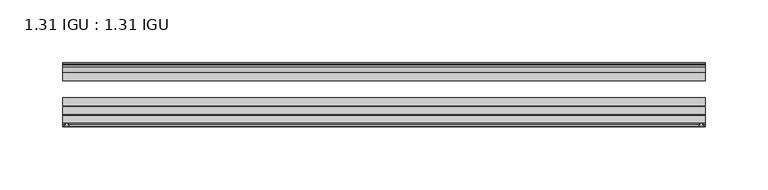
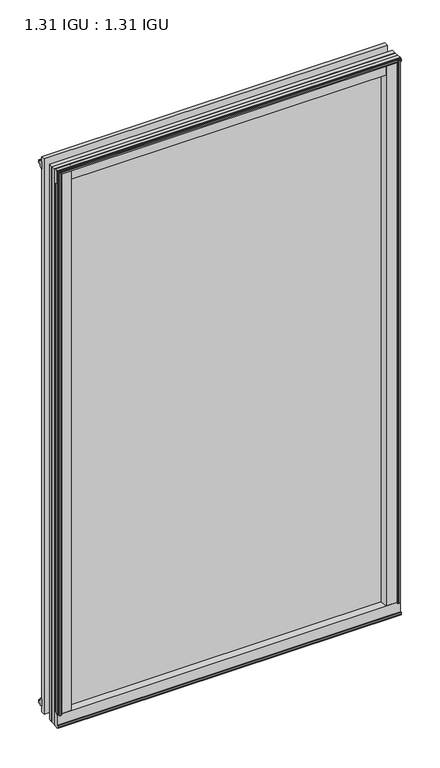
"""IFC4 building model written with IfcOpenShell, lengths in millimetres: plate geometry, 1.31 IGU : 1.31 IGU."""

from ifc_helpers import new_model, si_unit, point, frame, frame_2d, origin, origin_with_axes, place, context, project, spatial, polyline, circle_curve, trimmed, segment, composite_curve, outline, extrude, source, transform, mapped, element, save


def plate_1_31_igu_1_31_igu_f2ca2136(model_context):
    return source(origin(), model_context, "Body", "SweptSolid", [
        extrude(outline(composite_curve([segment(polyline([(251.596726, -57.6333938), (235.4119791, -57.6333938)]), True, "CONTINUOUS"), segment(trimmed(circle_curve(frame_2d((228.1172499, -57.6547678)), 7.2947605), [point((235.4119791, -57.6333938))], [point((231.6695905, -51.2833938))], True, "CARTESIAN"), True, "CONTINUOUS"), segment(polyline([(231.6695905, -51.2833938), (254.5400114, -51.2833938)]), True, "CONTINUOUS"), segment(trimmed(circle_curve(frame_2d((254.5400114, -52.0707938)), 0.7874), [point((254.5400114, -51.2833938))], [point((255.3215422, -51.9748338))], False, "CARTESIAN"), True, "CONTINUOUS"), segment(polyline([(255.3215422, -51.9748338), (256.016326, -57.6333938), (254.085926, -57.6333938), (253.628726, -59.624458), (254.6300879, -59.3561439), (254.873326, -60.263921), (252.841326, -60.8083938), (250.809326, -60.263921), (251.0525641, -59.3561439), (252.053926, -59.624458), (251.596726, -57.6333938)]), True, "CONTINUOUS")], self_intersect=False)), origin_with_axes(), (0.0, 0.0, 1.0), 857.25),
        extrude(outline(composite_curve([segment(polyline([(-235.7096354, -57.6333937), (-251.8943823, -57.6333937), (-252.3515823, -59.624458), (-251.3502204, -59.3561439), (-251.1069823, -60.263921), (-253.1389823, -60.8083937), (-255.1709823, -60.263921), (-254.9277441, -59.3561439), (-253.9263823, -59.624458), (-254.3835823, -57.6333937), (-256.3139823, -57.6333937), (-255.6191985, -51.9748338)]), True, "CONTINUOUS"), segment(trimmed(circle_curve(frame_2d((-254.8376676, -52.0707937)), 0.7874), [point((-255.6191985, -51.9748338))], [point((-254.8376676, -51.2833937))], False, "CARTESIAN"), True, "CONTINUOUS"), segment(polyline([(-254.8376676, -51.2833937), (-231.9672467, -51.2833937)]), True, "CONTINUOUS"), segment(trimmed(circle_curve(frame_2d((-228.4149062, -57.6547678)), 7.2947605), [point((-231.9672467, -51.2833937))], [point((-235.7096354, -57.6333937))], True, "CARTESIAN"), True, "CONTINUOUS")], self_intersect=False)), origin_with_axes(), (0.0, 0.0, 1.0), 857.25),
        extrude(outline(polyline([(-9.7543937, -6.8579998), (-10.4009552, -9.2709998), (-11.2596632, -9.0409097), (-10.8839895, -7.6388763), (-13.1833937, -8.3819998), (-13.1833937, -11.7850089), (-17.9585937, -10.1533914), (-17.9585937, 0.6595133), (-13.1833937, -0.5079998), (-13.1833937, -5.4609998), (-10.8839895, -6.0771233), (-11.2596632, -4.6750899), (-10.4009552, -4.4449998), (-9.7543937, -6.8579998)])), frame((-256.3471354, 0.0, 0.0), z_axis=(1.0, 0.0, 0.0), x_axis=(0.0, 1.0, 0.0)), (0.0, 0.0, 1.0), 512.3966145),
        extrude(outline(composite_curve([segment(polyline([(-51.9748338, -19.930016), (-57.6333937, -20.6247998), (-57.6333937, -18.6943998), (-59.624458, -18.2371998), (-59.3561439, -19.2385617), (-60.263921, -19.4817998), (-60.8083937, -17.4497998), (-60.263921, -15.4177998), (-59.3561439, -15.6610379), (-59.624458, -16.6623998), (-57.6333937, -16.2051998), (-57.6333937, 0.0127002)]), True, "CONTINUOUS"), segment(trimmed(circle_curve(frame_2d((-58.1588233, 7.9620141)), 7.9666598), [point((-57.6333937, 0.0127002))], [point((-51.2833937, 3.9375717))], True, "CARTESIAN"), True, "CONTINUOUS"), segment(polyline([(-51.2833937, 3.9375717), (-51.2833937, -19.1484852)]), True, "CONTINUOUS"), segment(trimmed(circle_curve(frame_2d((-52.0707937, -19.1484852)), 0.7874), [point((-51.2833937, -19.1484852))], [point((-51.9748338, -19.930016))], False, "CARTESIAN"), True, "CONTINUOUS")], self_intersect=False)), frame((-256.3471354, 0.0, 0.0), z_axis=(1.0, 0.0, 0.0), x_axis=(0.0, 1.0, 0.0)), (0.0, 0.0, 1.0), 512.3966145),
        extrude(outline(polyline([(-17.9585937, 848.3533914), (-13.1833937, 849.9850089), (-13.1833937, 846.5819998), (-10.8839895, 845.8388763), (-11.2596632, 847.2409097), (-10.4009552, 847.4709998), (-9.7543937, 845.0579998), (-10.4009552, 842.6449998), (-11.2596632, 842.8750899), (-10.8839895, 844.2771233), (-13.1833937, 843.6609998), (-13.1833937, 838.7079998), (-17.9585937, 837.5404867), (-17.9585937, 848.3533914)])), frame((-256.3471354, 0.0, 0.0), z_axis=(1.0, 0.0, 0.0), x_axis=(0.0, 1.0, 0.0)), (0.0, 0.0, 1.0), 512.3966145),
        extrude(outline(composite_curve([segment(trimmed(circle_curve(frame_2d((-52.0707937, 857.3484852)), 0.7874), [point((-51.9748338, 858.130016))], [point((-51.2833937, 857.3484852))], False, "CARTESIAN"), True, "CONTINUOUS"), segment(polyline([(-51.2833937, 857.3484852), (-51.2833937, 834.2624283)]), True, "CONTINUOUS"), segment(trimmed(circle_curve(frame_2d((-58.1588233, 830.2379859)), 7.9666598), [point((-51.2833937, 834.2624283))], [point((-57.6333937, 838.1872998))], True, "CARTESIAN"), True, "CONTINUOUS"), segment(polyline([(-57.6333937, 838.1872998), (-57.6333937, 854.4051998), (-59.624458, 854.8623998), (-59.3561439, 853.8610379), (-60.263921, 853.6177998), (-60.8083937, 855.6497998), (-60.263921, 857.6817998), (-59.3561439, 857.4385617), (-59.624458, 856.4371998), (-57.6333937, 856.8943998), (-57.6333937, 858.8247998), (-51.9748338, 858.130016)]), True, "CONTINUOUS")], self_intersect=False)), frame((-256.3471354, 0.0, 0.0), z_axis=(1.0, 0.0, 0.0), x_axis=(0.0, 1.0, 0.0)), (0.0, 0.0, 1.0), 512.3966145),
        extrude(outline(polyline([(-244.9360116, -10.8839895), (-246.338045, -11.2596632), (-246.5681352, -10.4009552), (-244.1551352, -9.7543937), (-241.7421352, -10.4009552), (-241.9722253, -11.2596632), (-243.3742587, -10.8839895), (-242.7581352, -13.1833937), (-237.8051352, -13.1833937), (-236.637622, -17.9585937), (-247.4505268, -17.9585937), (-249.0821443, -13.1833937), (-245.6791352, -13.1833937), (-244.9360116, -10.8839895)])), origin_with_axes(), (0.0, 0.0, 1.0), 838.2),
        extrude(outline(polyline([(244.9487118, -10.8839895), (245.6918354, -13.1833937), (249.0948445, -13.1833937), (247.463227, -17.9585937), (236.6503223, -17.9585937), (237.8178354, -13.1833937), (242.7708354, -13.1833937), (243.3869589, -10.8839895), (241.9849255, -11.2596632), (241.7548354, -10.4009552), (244.1678354, -9.7543937), (246.5808354, -10.4009552), (246.3507452, -11.2596632), (244.9487118, -10.8839895)])), origin_with_axes(), (0.0, 0.0, 1.0), 838.2),
        extrude(outline(polyline([(256.0494791, -17.9585937), (256.0494791, -24.3085937), (-256.3471354, -24.3085937), (-256.3471354, -17.9585937), (256.0494791, -17.9585937)])), frame((0.0, 0.0, -19.0372998), z_axis=(0.0, 0.0, 1.0), x_axis=(1.0, 0.0, 0.0)), (0.0, 0.0, 1.0), 876.2872998),
        extrude(outline(polyline([(-256.3471354, -44.1459937), (-256.3471354, -37.7959937), (256.0494791, -37.7959937), (256.0494791, -44.1459937), (-256.3471354, -44.1459937)])), frame((0.0, 0.0, -19.0372998), z_axis=(0.0, 0.0, 1.0), x_axis=(1.0, 0.0, 0.0)), (0.0, 0.0, 1.0), 876.2872998),
        extrude(outline(polyline([(-256.3471354, -51.2833937), (-256.3471354, -44.9333937), (256.0494791, -44.9333937), (256.0494791, -51.2833937), (-256.3471354, -51.2833937)])), frame((0.0, 0.0, -19.0372998), z_axis=(0.0, 0.0, 1.0), x_axis=(1.0, 0.0, 0.0)), (0.0, 0.0, 1.0), 876.2872998),
    ])


if __name__ == "__main__":
    model = new_model("IFC4")
    model_context = context("Model", 3, world=origin())
    ifc_project = project(units=[si_unit("LENGTHUNIT", "METRE", prefix="MILLI")], contexts=[model_context])
    site = spatial("IfcSite", under=ifc_project)
    building = spatial("IfcBuilding", under=site)
    placement = place(None, origin())
    plate_1_31_igu_1_31_igu_shape = plate_1_31_igu_1_31_igu_f2ca2136(model_context)
    element("IfcPlate", 1, ObjectType="1.31 IGU : 1.31 IGU", at=placement, inside=building, context=model_context, shape_type="MappedRepresentation", body=[
        mapped(plate_1_31_igu_1_31_igu_shape, transform((0.0, 0.0, 0.0), x_axis=(1.0, 0.0, 0.0), y_axis=(0.0, 1.0, 0.0), z_axis=(0.0, 0.0, 1.0))),
    ])
    save(model, "model.ifc")
